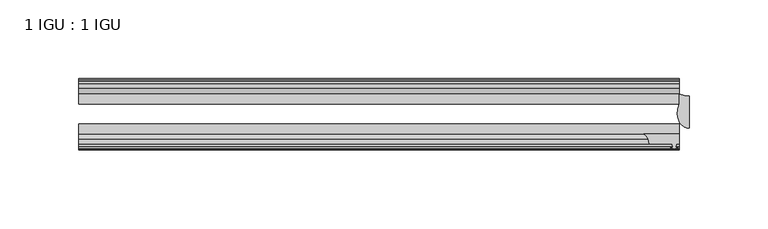
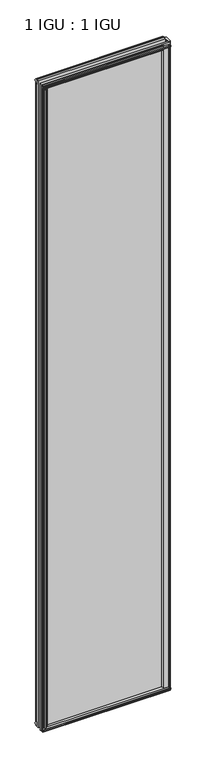
"""IFC4 building model written with IfcOpenShell, lengths in millimetres: plate geometry, 1 IGU : 1 IGU."""

from ifc_helpers import new_model, si_unit, point, frame, frame_2d, origin, origin_with_axes, place, context, project, spatial, polyline, circle_curve, ellipse_curve, trimmed, segment, composite_curve, outline, extrude, source, transform, mapped, element, save
from ifc_brep_helpers import plane_surface, cylinder_surface, revolved_surface, extruded_surface, advanced_brep


def plate_1_igu_1_igu_efd9c69d(model_context):
    return source(origin(), model_context, "Body", "SolidModel", [
        extrude(outline(composite_curve([segment(polyline([(171.0983314, -44.9460938), (193.6369, -44.9460938), (193.6369, -51.2960937), (191.7319, -51.2960937), (191.4144, -53.4006957), (192.6203059, -53.0775742), (192.6203059, -53.8927506), (190.4619, -54.4710938), (188.3034941, -53.8927506), (188.3034941, -53.0775742), (189.5094, -53.4006957), (189.1919, -51.2960938), (174.5869, -51.2960938)]), True, "CONTINUOUS"), segment(trimmed(circle_curve(frame_2d((167.1484021, -51.2493858)), 7.4386445), [point((174.5869, -51.2960938))], [point((171.0983314, -44.9460938))], True, "CARTESIAN"), True, "CONTINUOUS")], self_intersect=False)), origin_with_axes(), (0.0, 0.0, 1.0), 2031.9872998),
        extrude(outline(polyline([(-173.0011137, -19.5460937), (-184.8315077, -19.5460937), (-187.0445852, -16.1419073), (-187.0445852, -13.1960937), (-182.5995852, -13.1960937), (-182.2185852, -10.8158968), (-183.6341143, -11.27583), (-183.6341143, -10.4746158), (-181.4565852, -9.7670937), (-179.2790562, -10.4746158), (-179.2790562, -11.27583), (-180.6945852, -10.8158968), (-180.3135852, -13.1960937), (-175.1063908, -13.1960937), (-173.0011137, -19.5460937)])), origin_with_axes(), (0.0, 0.0, 1.0), 2019.3),
        extrude(outline(polyline([(-16.1419073, -12.4576852), (-19.5460937, -10.2446077), (-19.5460937, 1.5857863), (-13.1960937, -0.5194908), (-13.1960937, -5.7266852), (-10.8158968, -6.1076852), (-11.27583, -4.6921562), (-10.4746158, -4.6921562), (-9.7670937, -6.8696852), (-10.4746158, -9.0472143), (-11.27583, -9.0472143), (-10.8158968, -7.6316852), (-13.1960937, -8.0126852), (-13.1960937, -12.4576852), (-16.1419073, -12.4576852)])), frame((-187.2869, 0.0, 0.0), z_axis=(1.0, 0.0, 0.0), x_axis=(0.0, 1.0, 0.0)), (0.0, 0.0, 1.0), 380.9238),
        extrude(outline(polyline([(-48.3502802, -11.938), (-51.2960937, -11.938), (-51.2960937, -7.493), (-53.6762907, -7.112), (-53.2163575, -8.5275291), (-54.0175717, -8.5275291), (-54.7250937, -6.35), (-54.0175717, -4.172471), (-53.2163575, -4.172471), (-53.6762907, -5.588), (-51.2960937, -5.207), (-51.2960937, 0.0001944), (-44.9460937, 2.1054715), (-44.9460937, -9.7249225), (-48.3502802, -11.938)])), frame((-187.2869, 0.0, 0.0), z_axis=(1.0, 0.0, 0.0), x_axis=(0.0, 1.0, 0.0)), (0.0, 0.0, 1.0), 380.9238),
        extrude(outline(polyline([(-16.1028367, 2031.7576852), (-13.1960937, 2031.7576852), (-13.1960937, 2027.3126852), (-10.8158968, 2026.9316852), (-11.27583, 2028.3472143), (-10.4746158, 2028.3472143), (-9.7670937, 2026.1696852), (-10.4746158, 2023.9921562), (-11.27583, 2023.9921562), (-10.8158968, 2025.4076852), (-13.1960937, 2025.0266852), (-13.1960937, 2019.7940908), (-19.5460937, 2017.6888137), (-19.5460937, 2029.5192077), (-16.1028367, 2031.7576852)])), frame((-187.2869, 0.0, 0.0), z_axis=(1.0, 0.0, 0.0), x_axis=(0.0, 1.0, 0.0)), (0.0, 0.0, 1.0), 380.9238),
        extrude(outline(polyline([(-48.3893508, 2031.2126), (-44.9460937, 2028.9741225), (-44.9460937, 2017.1437285), (-51.2960937, 2019.2490056), (-51.2960937, 2024.4816), (-53.6762907, 2024.8626), (-53.2163575, 2023.447071), (-54.0175717, 2023.447071), (-54.7250938, 2025.6246), (-54.0175717, 2027.8021291), (-53.2163575, 2027.8021291), (-53.6762907, 2026.3866), (-51.2960937, 2026.7676), (-51.2960937, 2031.2126), (-48.3893508, 2031.2126)])), frame((-187.2869, 0.0, 0.0), z_axis=(1.0, 0.0, 0.0), x_axis=(0.0, 1.0, 0.0)), (0.0, 0.0, 1.0), 380.9238),
        advanced_brep(
        [(199.9869, -41.2564987, 2031.9872998), (199.9869, -20.7775816, 2031.9872998), (193.6369, -19.5460938, 2031.9872998), (193.6369, -25.8452938, 2031.9872998), (192.4645628, -32.2460938, 2031.9872998), (199.9869, -41.2564987, 0.0), (192.4645628, -32.2460938, 0.0), (193.6369, -25.8452938, 0.0), (193.6369, -19.5460938, 0.0), (199.9869, -20.7775816, 0.0)],
        [
            (0, 1),
            (1, 2, circle_curve(frame((199.9869, -3.7903806, 2031.9872998), z_axis=(0.0, 0.0, -1.0), x_axis=(0.0, 1.0, 0.0)), 16.987201)),
            (2, 3),
            (3, 4, circle_curve(frame((210.5244763, -32.2460938, 2031.9872998), z_axis=(0.0, 0.0, 1.0), x_axis=(0.0, 1.0, 0.0)), 18.0599135)),
            (4, 0, ellipse_curve(frame((199.9869, -32.2460938, 2031.9872998), z_axis=(0.0, 0.0, 1.0), x_axis=(0.0, 1.0, 0.0)), 9.010405, 7.5223372)),
            (5, 6, ellipse_curve(frame((199.9869, -32.2460938, 0.0), z_axis=(0.0, 0.0, -1.0), x_axis=(0.0, 1.0, 0.0)), 9.010405, 7.5223372)),
            (6, 7, circle_curve(frame((210.5244763, -32.2460938, 0.0), z_axis=(0.0, 0.0, -1.0), x_axis=(0.0, 1.0, 0.0)), 18.0599135)),
            (7, 8),
            (8, 9, circle_curve(frame((199.9869, -3.7903806, 0.0), z_axis=(0.0, 0.0, 1.0), x_axis=(0.0, 1.0, 0.0)), 16.987201)),
            (9, 5),
            (0, 5),
            (9, 1),
            (4, 6),
            (8, 2),
            (7, 3),
        ],
        [
            plane_surface(frame((174.5869, -13.1960938, 2031.9872998), z_axis=(0.0, 0.0, 1.0), x_axis=(0.0, 1.0, 0.0))),
            plane_surface(frame((174.5869, -13.1960938, 0.0), z_axis=(0.0, 0.0, -1.0), x_axis=(0.0, 1.0, 0.0))),
            plane_surface(frame((199.9869, -41.2564987, 2031.9872998), z_axis=(1.0, 0.0, 0.0), x_axis=(0.0, 0.0, -1.0))),
            extruded_surface(trimmed(ellipse_curve(frame((199.9869, -32.2460938, 0.0), z_axis=(0.0, 0.0, 1.0), x_axis=(0.0, 1.0, 0.0)), 9.010405, 7.5223372), [point((192.4645628, -32.2460938, 0.0))], [point((199.9869, -41.2564987, 0.0))], True, "CARTESIAN"), (0.0, 0.0, 2031.9872998), 2031.9872998),
            revolved_surface(polyline([(199.9869, 13.196820399999998, 0.0), (199.9869, 13.196820399999998, 2031.9872998)]), (199.9869, -3.7903806, 2031.9872998), (0.0, 0.0, -1.0)),
            plane_surface(frame((193.6369, -19.5460938, 2031.9872998), z_axis=(-1.0, 0.0, 0.0), x_axis=(0.0, 0.0, -1.0))),
            cylinder_surface(frame((210.5244763, -32.2460938, 2031.9872998), z_axis=(0.0, 0.0, 1.0), x_axis=(0.0, 1.0, 0.0)), 18.0599135),
        ],
        [
            (0, [[1, 2, 3, 4, 5]]),
            (1, [[6, 7, 8, 9, 10]]),
            (2, [[-1, 11, -10, 12]]),
            (3, [[-5, 13, -6, -11]]),
            (4, [[-2, -12, -9, 14]]),
            (5, [[-3, -14, -8, 15]]),
            (6, [[-4, -15, -7, -13]]),
        ],
    ),
        extrude(outline(polyline([(-172.4814285, -44.9460938), (-174.5867056, -51.2960938), (-179.7939, -51.2960938), (-180.1749, -53.6762907), (-178.759371, -53.2163575), (-178.759371, -54.0175717), (-180.9369, -54.7250938), (-183.1144291, -54.0175717), (-183.1144291, -53.2163575), (-181.6989, -53.6762907), (-182.0799, -51.2960938), (-186.5249, -51.2960938), (-186.5249, -48.3502802), (-184.3118225, -44.9460938), (-172.4814285, -44.9460938)])), origin_with_axes(), (0.0, 0.0, 1.0), 2019.3),
        extrude(outline(polyline([(193.6369, -19.5460937), (193.6369, -25.8337453), (-187.2869, -25.8337453), (-187.2869, -19.5460937), (193.6369, -19.5460937)])), frame((0.0, 0.0, -12.7), z_axis=(0.0, 0.0, 1.0), x_axis=(1.0, 0.0, 0.0)), (0.0, 0.0, 1.0), 2044.6872998),
        extrude(outline(polyline([(-187.2869, -44.9460937), (-187.2869, -38.6468938), (193.6369, -38.6468938), (193.6369, -44.9460937), (-187.2869, -44.9460937)])), frame((0.0, 0.0, -12.7), z_axis=(0.0, 0.0, 1.0), x_axis=(1.0, 0.0, 0.0)), (0.0, 0.0, 1.0), 2044.6872998),
    ])


if __name__ == "__main__":
    model = new_model("IFC4")
    model_context = context("Model", 3, world=origin())
    ifc_project = project(units=[si_unit("LENGTHUNIT", "METRE", prefix="MILLI")], contexts=[model_context])
    site = spatial("IfcSite", under=ifc_project)
    building = spatial("IfcBuilding", under=site)
    placement = place(None, origin())
    plate_1_igu_1_igu_shape = plate_1_igu_1_igu_efd9c69d(model_context)
    element("IfcPlate", 1, ObjectType="1 IGU : 1 IGU", at=placement, inside=building, context=model_context, shape_type="MappedRepresentation", body=[
        mapped(plate_1_igu_1_igu_shape, transform((0.0, 0.0, 0.0), x_axis=(1.0, 0.0, 0.0), y_axis=(0.0, 1.0, 0.0), z_axis=(0.0, 0.0, 1.0))),
    ])
    save(model, "model.ifc")
